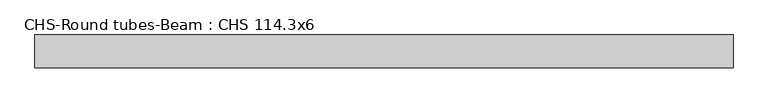
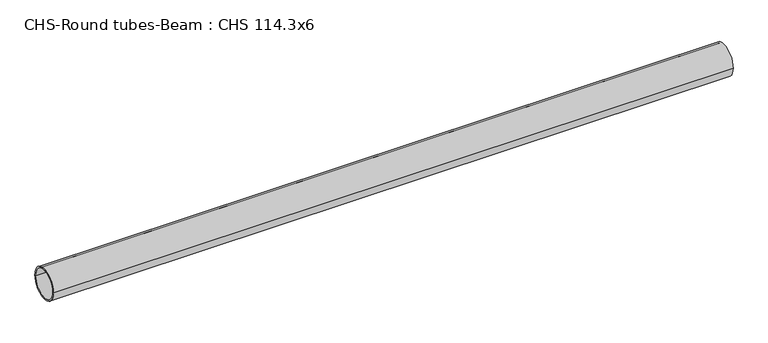
"""IFC4 building model written with IfcOpenShell, lengths in millimetres: beam geometry, CHS-Round tubes-Beam : CHS 114.3x6."""

import ifcopenshell
import ifcopenshell.guid

model = None  # the IFC model being written
_history = None  # IfcOwnerHistory: only IFC2X3 demands one
_inside = {}  # id of a spatial element -> (the spatial element, [elements in it])
_under = {}  # id of a project, library or spatial element -> (it, [spatial elements below it])
_declared = {}  # id of a project -> (the project, [libraries it declares])
_typed = {}  # id of a type object -> (the type object, [elements of that type])
_made_of = {}  # id of a material, layer set ... -> (it, [elements and type objects made of it])


def new_model(schema):
    """Start an empty IFC model of exactly this schema.

    Asked for "IFC4X3", IfcOpenShell would pick the latest addendum, in which some entities
    have other attributes; the version numbers below select the first issue.
    IFC2X3 requires an IfcOwnerHistory on every rooted entity: one is made here for all.
    """
    global model, _history
    if schema == "IFC4X3":
        model = ifcopenshell.file(schema_version=(4, 3, 0, 0))
    else:
        model = ifcopenshell.file(schema=schema)
    _inside.clear()
    _under.clear()
    _declared.clear()
    _typed.clear()
    _made_of.clear()
    _history = None
    if model.schema == "IFC2X3":
        org = make("IfcOrganization", Name="unknown")
        user = make(
            "IfcPersonAndOrganization",
            ThePerson=make("IfcPerson", FamilyName="unknown"),
            TheOrganization=org,
        )
        app = make(
            "IfcApplication",
            ApplicationDeveloper=org,
            Version="unknown",
            ApplicationFullName="unknown",
            ApplicationIdentifier="unknown",
        )
        _history = make(
            "IfcOwnerHistory",
            OwningUser=user,
            OwningApplication=app,
            ChangeAction="ADDED",
            CreationDate=0,
        )
    return model


def make(cls, **values):
    """One entity of the class cls with the attributes given. An attribute that is None is left unset."""
    return model.create_entity(
        cls, **{name: value for name, value in values.items() if value is not None}
    )


def rooted(cls, **values):
    """An entity with a GlobalId (a new one), such as an element, a storey or a relation."""
    return make(cls, GlobalId=ifcopenshell.guid.new(), OwnerHistory=_history, **values)


def si_unit(unit_type, name, prefix=None):
    """IfcSIUnit, for example si_unit("LENGTHUNIT", "METRE", prefix="MILLI")."""
    return make("IfcSIUnit", UnitType=unit_type, Prefix=prefix, Name=name)


def assignment(units):
    """IfcUnitAssignment: the units of a project."""
    return None if units is None else make("IfcUnitAssignment", Units=units)


def point(xyz):
    """IfcCartesianPoint."""
    return None if xyz is None else make("IfcCartesianPoint", Coordinates=xyz)


def direction(xyz):
    """IfcDirection."""
    return None if xyz is None else make("IfcDirection", DirectionRatios=xyz)


def frame(location, z_axis=None, x_axis=None):
    """IfcAxis2Placement3D, a coordinate frame: its origin and axes. An axis left out is left unset."""
    return make(
        "IfcAxis2Placement3D",
        Location=point(location),
        Axis=direction(z_axis),
        RefDirection=direction(x_axis),
    )


def frame_2d(location, x_axis=None):
    """IfcAxis2Placement2D, a coordinate frame in the plane: its origin and x axis."""
    return make(
        "IfcAxis2Placement2D", Location=point(location), RefDirection=direction(x_axis)
    )


def origin():
    """The frame at (0, 0, 0) with its axes left unset."""
    return frame((0.0, 0.0, 0.0))


def origin_2d():
    """The frame at (0, 0) in the plane with its x axis left unset."""
    return frame_2d((0.0, 0.0))


def place(relative_to, where):
    """IfcLocalPlacement: puts the frame where relative to a parent placement (None: the world)."""
    return make(
        "IfcLocalPlacement", PlacementRelTo=relative_to, RelativePlacement=where
    )


def context(
    kind, dimensions, precision=None, world=None, true_north=None, identifier=None
):
    """IfcGeometricRepresentationContext, for example the 3D "Model" context."""
    return make(
        "IfcGeometricRepresentationContext",
        ContextIdentifier=identifier,
        ContextType=kind,
        CoordinateSpaceDimension=dimensions,
        Precision=precision,
        WorldCoordinateSystem=world,
        TrueNorth=true_north,
    )


def project(units=None, contexts=None):
    """IfcProject with its units and contexts."""
    return rooted(
        "IfcProject",
        Name="project",
        RepresentationContexts=contexts,
        UnitsInContext=assignment(units),
    )


def spatial(cls, under=None, at=None, **own):
    """A site, building, storey or space (cls), placed at a placement, below another one or the project."""
    s = rooted(cls, ObjectPlacement=at, **own)
    if under is not None:
        _under.setdefault(under.id(), (under, []))[1].append(s)
    return s


def circle_curve(where, radius):
    """IfcCircle in the frame where."""
    return make("IfcCircle", Position=where, Radius=radius)


def trimmed(basis, trim1, trim2, sense, master):
    """IfcTrimmedCurve: the piece of a basis curve between two trims."""
    return make(
        "IfcTrimmedCurve",
        BasisCurve=basis,
        Trim1=trim1,
        Trim2=trim2,
        SenseAgreement=sense,
        MasterRepresentation=master,
    )


def segment(curve, same_sense, transition):
    """IfcCompositeCurveSegment."""
    return make(
        "IfcCompositeCurveSegment",
        Transition=transition,
        SameSense=same_sense,
        ParentCurve=curve,
    )


def composite_curve(segments, self_intersect=None):
    """IfcCompositeCurve: segments joined end to end."""
    return make("IfcCompositeCurve", Segments=segments, SelfIntersect=self_intersect)


def outline(outer, holes=None, kind="AREA"):
    """IfcArbitraryClosedProfileDef: a profile drawn as a closed curve; with holes, ...WithVoids."""
    if holes is None:
        return make("IfcArbitraryClosedProfileDef", ProfileType=kind, OuterCurve=outer)
    return make(
        "IfcArbitraryProfileDefWithVoids",
        ProfileType=kind,
        OuterCurve=outer,
        InnerCurves=holes,
    )


def extrude(swept, where, along, depth):
    """IfcExtrudedAreaSolid: the profile swept, set in the frame where, extruded along a direction by depth."""
    return make(
        "IfcExtrudedAreaSolid",
        SweptArea=swept,
        Position=where,
        ExtrudedDirection=direction(along),
        Depth=depth,
    )


def shape(context_of_items, identifier, shape_type, items):
    """IfcShapeRepresentation: the items that make up one representation, for example the "Body"."""
    return make(
        "IfcShapeRepresentation",
        ContextOfItems=context_of_items,
        RepresentationIdentifier=identifier,
        RepresentationType=shape_type,
        Items=items,
    )


def source(mapping_origin, context_of_items, identifier, shape_type, items):
    """IfcRepresentationMap: a shape defined once, which mapped items show again and again."""
    return make(
        "IfcRepresentationMap",
        MappingOrigin=mapping_origin,
        MappedRepresentation=shape(context_of_items, identifier, shape_type, items),
    )


def transform(
    local_origin,
    x_axis=None,
    y_axis=None,
    z_axis=None,
    scale=None,
    scale2=None,
    scale3=None,
    uniform=True,
):
    """IfcCartesianTransformationOperator3D, or its non-uniform kind. x_axis, y_axis, z_axis: its Axis1, 2, 3."""
    if uniform:
        return make(
            "IfcCartesianTransformationOperator3D",
            Axis1=direction(x_axis),
            Axis2=direction(y_axis),
            LocalOrigin=point(local_origin),
            Scale=scale,
            Axis3=direction(z_axis),
        )
    return make(
        "IfcCartesianTransformationOperator3DnonUniform",
        Axis1=direction(x_axis),
        Axis2=direction(y_axis),
        LocalOrigin=point(local_origin),
        Scale=scale,
        Axis3=direction(z_axis),
        Scale2=scale2,
        Scale3=scale3,
    )


def mapped(mapping_source, mapping_target):
    """IfcMappedItem: shows the shape of a source again, moved by a transform."""
    return make(
        "IfcMappedItem", MappingSource=mapping_source, MappingTarget=mapping_target
    )


def made_of(thing, what):
    """Note that an element or type object is made of a material, layer set ...; save() writes the relation."""
    if what is not None:
        _made_of.setdefault(what.id(), (what, []))[1].append(thing)
    return thing


def element(
    cls,
    number,
    at=None,
    inside=None,
    cuts=None,
    type_object=None,
    material=None,
    context=None,
    identifier="Body",
    shape_type=None,
    held_by="IfcProductDefinitionShape",
    body=None,
    shapes=None,
    **own,
):
    """One element of the class cls, such as IfcWall. Its Tag is "e" and its number.

    at: its placement. inside: the storey or other place that contains it. cuts: it is an
    opening in that element (IfcRelVoidsElement). A single representation is given by context,
    identifier, shape_type and body (its items); several are given by shapes. held_by: the class
    of the entity that holds the representations. save() writes the other relations.
    """
    e = rooted(cls, Tag="e%d" % number, ObjectPlacement=at, **own)
    if body is not None:
        shapes = [shape(context, identifier, shape_type, body)]
    if shapes is not None:
        e.Representation = make(held_by, Representations=shapes)
    if inside is not None:
        _inside.setdefault(inside.id(), (inside, []))[1].append(e)
    if cuts is not None:
        rooted(
            "IfcRelVoidsElement", RelatingBuildingElement=cuts, RelatedOpeningElement=e
        )
    if type_object is not None:
        _typed.setdefault(type_object.id(), (type_object, []))[1].append(e)
    return made_of(e, material)


def aggregate(whole, parts):
    """IfcRelAggregates: a whole, such as a stair, and the parts it consists of."""
    return rooted("IfcRelAggregates", RelatingObject=whole, RelatedObjects=parts)


def save(model, path):
    """Write the relations noted so far, then the file.

    IfcRelAggregates (storeys below a building ...), IfcRelContainedInSpatialStructure (elements
    in a storey), IfcRelDefinesByType, IfcRelAssociatesMaterial and IfcRelDeclares: one each for
    every whole, place, type object, material and project.
    """
    for whole, parts in _under.values():
        aggregate(whole, parts)
    for where, things in _inside.values():
        rooted(
            "IfcRelContainedInSpatialStructure",
            RelatedElements=things,
            RelatingStructure=where,
        )
    for kind, things in _typed.values():
        rooted("IfcRelDefinesByType", RelatedObjects=things, RelatingType=kind)
    for what, things in _made_of.values():
        rooted("IfcRelAssociatesMaterial", RelatedObjects=things, RelatingMaterial=what)
    for by, libraries in _declared.values():
        rooted("IfcRelDeclares", RelatingContext=by, RelatedDefinitions=libraries)
    model.write(path)


def chs_round_tubes_beam_chs_114_3x6_7faa0682(model_context):
    return source(origin(), model_context, "Body", "SweptSolid", [
        extrude(outline(composite_curve([segment(trimmed(circle_curve(origin_2d(), 57.15), [point((57.15, 0.0))], [point((-57.15, 0.0))], False, "CARTESIAN"), True, "CONTINUOUS"), segment(trimmed(circle_curve(origin_2d(), 57.15), [point((-57.15, 0.0))], [point((57.15, 0.0))], False, "CARTESIAN"), True, "CONTINUOUS")], self_intersect=False), holes=[composite_curve([segment(trimmed(circle_curve(origin_2d(), 51.15), [point((51.15, 0.0))], [point((-51.15, 0.0))], True, "CARTESIAN"), True, "CONTINUOUS"), segment(trimmed(circle_curve(origin_2d(), 51.15), [point((-51.15, 0.0))], [point((51.15, 0.0))], True, "CARTESIAN"), True, "CONTINUOUS")], self_intersect=False)]), frame((-1186.3356406, 0.0, 0.0), z_axis=(1.0, 0.0, 0.0), x_axis=(0.0, 1.0, 0.0)), (0.0, 0.0, 1.0), 2432.0035209),
    ])


if __name__ == "__main__":
    model = new_model("IFC4")
    model_context = context("Model", 3, world=origin())
    ifc_project = project(units=[si_unit("LENGTHUNIT", "METRE", prefix="MILLI")], contexts=[model_context])
    site = spatial("IfcSite", under=ifc_project)
    building = spatial("IfcBuilding", under=site)
    placement = place(None, origin())
    chs_round_tubes_beam_chs_114_3x6_shape = chs_round_tubes_beam_chs_114_3x6_7faa0682(model_context)
    element("IfcBeam", 1, ObjectType="CHS-Round tubes-Beam : CHS 114.3x6", at=placement, inside=building, context=model_context, shape_type="MappedRepresentation", body=[
        mapped(chs_round_tubes_beam_chs_114_3x6_shape, transform((0.0, 0.0, 0.0), x_axis=(1.0, 0.0, 0.0), y_axis=(0.0, 1.0, 0.0), z_axis=(0.0, 0.0, 1.0))),
    ])
    save(model, "model.ifc")
